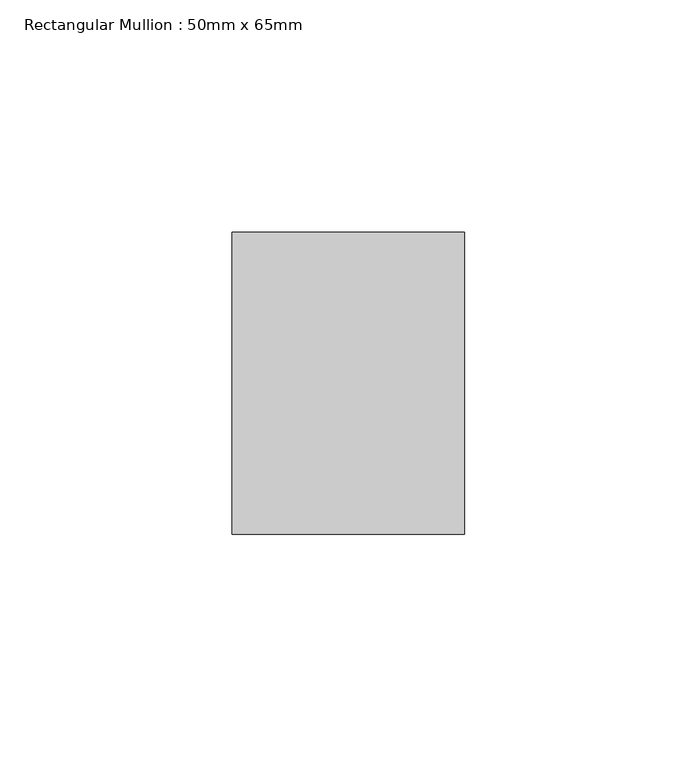
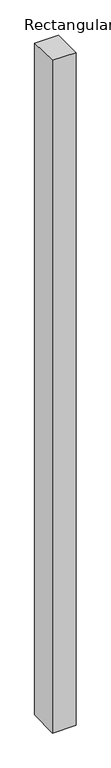
"""IFC4 building model written with IfcOpenShell, lengths in millimetres: member geometry, Rectangular Mullion : 50mm x 65mm."""

from ifc_helpers import new_model, si_unit, origin, place, context, project, spatial, faceted_brep, source, transform, mapped, element, save


def rectangular_mullion_50mm_x_65mm_c06e9e58(model_context):
    return source(origin(), model_context, "Body", "Brep", [
        faceted_brep([(-25.0, 32.5, -0.5683221), (25.0, 32.5, -0.5683167), (25.0, 32.5, -1499.287503), (-25.0, 32.5, -1499.2874963), (-25.0, -32.5, 0.5683167), (-25.0, -32.5, -1500.7129115), (25.0, -32.5, 0.5683221), (25.0, -32.5, -1500.7129182)], [[[0, 1, 2, 3]], [[4, 0, 3, 5]], [[6, 4, 5, 7]], [[1, 6, 7, 2]], [[1, 0, 4, 6]], [[2, 7, 5, 3]]]),
    ])


if __name__ == "__main__":
    model = new_model("IFC4")
    model_context = context("Model", 3, world=origin())
    ifc_project = project(units=[si_unit("LENGTHUNIT", "METRE", prefix="MILLI")], contexts=[model_context])
    site = spatial("IfcSite", under=ifc_project)
    building = spatial("IfcBuilding", under=site)
    placement = place(None, origin())
    rectangular_mullion_50mm_x_65mm_shape = rectangular_mullion_50mm_x_65mm_c06e9e58(model_context)
    element("IfcMember", 1, ObjectType="Rectangular Mullion : 50mm x 65mm", at=placement, inside=building, context=model_context, shape_type="MappedRepresentation", body=[
        mapped(rectangular_mullion_50mm_x_65mm_shape, transform((0.0, 0.0, 0.0), x_axis=(1.0, 0.0, 0.0), y_axis=(0.0, 1.0, 0.0), z_axis=(0.0, 0.0, 1.0))),
    ])
    save(model, "model.ifc")
